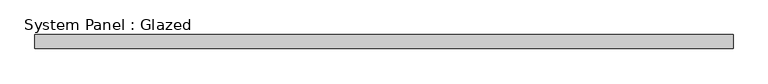
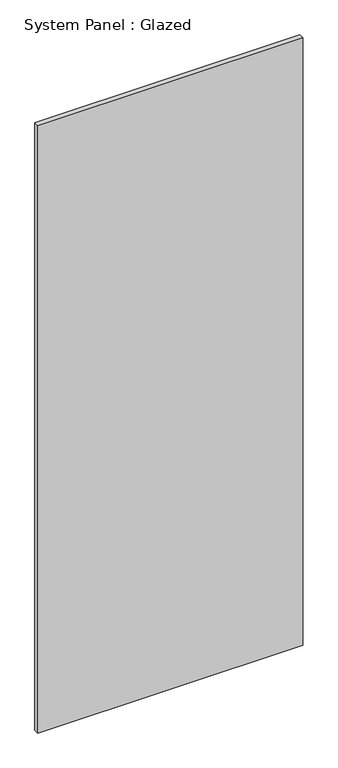
"""IFC4 building model written with IfcOpenShell, lengths in millimetres: plate geometry, System Panel : Glazed."""

from ifc_helpers import new_model, si_unit, origin, origin_with_axes, place, context, project, spatial, polyline, outline, extrude, source, transform, mapped, element, save


def system_panel_glazed_98d1b34f(model_context):
    return source(origin(), model_context, "Body", "SweptSolid", [
        extrude(outline(polyline([(634.125, 19.05), (-634.125, 19.05), (-634.125, 44.45), (634.125, 44.45), (634.125, 19.05)])), origin_with_axes(), (0.0, 0.0, 1.0), 3073.0),
    ])


if __name__ == "__main__":
    model = new_model("IFC4")
    model_context = context("Model", 3, world=origin())
    ifc_project = project(units=[si_unit("LENGTHUNIT", "METRE", prefix="MILLI")], contexts=[model_context])
    site = spatial("IfcSite", under=ifc_project)
    building = spatial("IfcBuilding", under=site)
    placement = place(None, origin())
    system_panel_glazed_shape = system_panel_glazed_98d1b34f(model_context)
    element("IfcPlate", 1, ObjectType="System Panel : Glazed", at=placement, inside=building, context=model_context, shape_type="MappedRepresentation", body=[
        mapped(system_panel_glazed_shape, transform((0.0, 0.0, 0.0), x_axis=(1.0, 0.0, 0.0), y_axis=(0.0, 1.0, 0.0), z_axis=(0.0, 0.0, 1.0))),
    ])
    save(model, "model.ifc")
